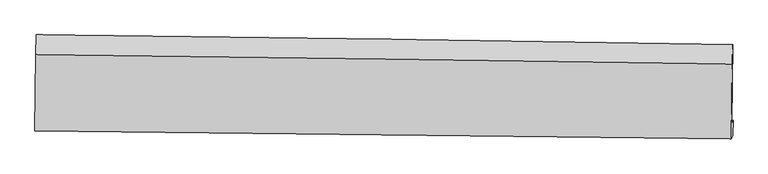
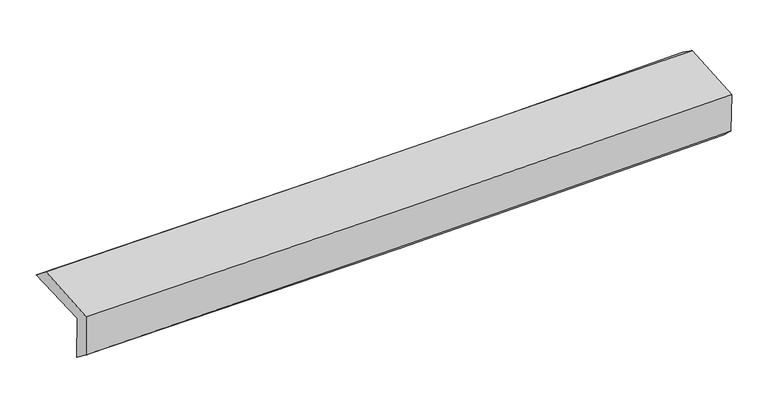
"""IFC4 building model written with IfcOpenShell, lengths in millimetres: proxy geometry."""

from ifc_helpers import new_model, si_unit, frame, origin, place, context, project, spatial, source, transform, mapped, element, save
from ifc_brep_helpers import plane_surface, spline_curve, spline_surface, advanced_brep


def generic_models_fb907434(model_context):
    return source(origin(), model_context, "Body", "AdvancedBrep", [
        advanced_brep(
        [(-3027.6112657, -1765.1499138, 1965.2863049), (-3020.2663445, -1085.419892, 1981.2640008), (3013.6647594, -1171.6038481, 2138.9500699), (3005.5099013, -1851.3241825, 2122.9531213), (-3017.7354163, -1744.4068453, 1560.2601913), (3015.4529765, -1830.439914, 1715.1699578), (-3022.493906, -1904.7415086, 1683.6266453), (3011.0228483, -1960.5823832, 1832.9469252), (-3031.9464003, -1920.9840248, 2073.0146382), (3001.5347844, -1991.0332792, 2216.5040557), (-3025.4683881, -1259.3678248, 2116.7658808), (3008.7024525, -1338.567313, 2259.6693505)],
        [
            (0, 1),
            (1, 2, spline_curve(3, [(-3020.2663445, -1085.419892, 1981.2640008), (-2014.030998618, -1096.238452109, 1982.573303024), (-1008.123216756, -1108.829060608, 1996.366548298), (1003.187249068, -1137.556517071, 2048.924846205), (2008.589835247, -1153.693894125, 2087.693623677), (3013.6647594, -1171.6038481, 2138.9500699)], [4, 2, 4], [0.0, 9.902065220467628, 19.805607808819623])),
            (2, 3),
            (3, 0, spline_curve(3, [(3005.5099013, -1851.3241825, 2122.9531213), (2000.589032694, -1833.416151132, 2071.700333116), (995.330973608, -1817.280542664, 2032.934988827), (-1015.709516034, -1788.556315175, 1980.383108597), (-2021.491845606, -1775.967167166, 1966.592847419), (-3027.6112657, -1765.1499138, 1965.2863049)], [4, 2, 4], [0.0, 9.903542588351995, 19.805607808819623])),
            (4, 0),
            (3, 5),
            (5, 4, spline_curve(3, [(3015.4529765, -1830.439914, 1715.1699578), (2010.379219342, -1812.853007493, 1670.187408067), (1005.039118561, -1796.889718014, 1634.786737532), (-1006.023758717, -1768.212512916, 1583.153007204), (-2011.746455513, -1755.498112798, 1566.917088808), (-3017.7354163, -1744.4068453, 1560.2601913)], [4, 2, 4], [0.0, 9.90267814472179, 19.803879050513196])),
            (6, 4),
            (5, 7),
            (7, 6, spline_curve(3, [(3011.0228483, -1960.5823832, 1832.9469252), (2005.47490168, -1955.182201864, 1802.867852249), (999.870356609, -1947.828212317, 1775.384224414), (-1011.301912006, -1929.21400438, 1725.611572098), (-2016.869618052, -1917.95436914, 1703.321773238), (-3022.493906, -1904.7415086, 1683.6266453)], [4, 2, 4], [0.0, 9.901980414796718, 19.8024836947474])),
            (8, 6),
            (7, 9),
            (9, 8, spline_curve(3, [(3001.5347844, -1991.0332792, 2216.5040557), (1996.089919765, -1978.384491772, 2185.882231796), (990.539876143, -1966.222261118, 2158.613226407), (-1020.620549822, -1942.872654609, 2110.784420707), (-2026.230901371, -1931.685133919, 2090.223620239), (-3031.9464003, -1920.9840248, 2073.0146382)], [4, 2, 4], [0.0, 9.901716572643428, 19.80195604979966])),
            (10, 8),
            (9, 11),
            (11, 10, spline_curve(3, [(3008.7024525, -1338.567313, 2259.6693505), (2003.126705365, -1324.324520686, 2229.149335841), (997.453745386, -1310.602713835, 2201.98006775), (-1013.936564117, -1284.203039607, 2154.346577195), (-2019.653884108, -1271.525017265, 2133.881355725), (-3025.4683881, -1259.3678248, 2116.7658808)], [4, 2, 4], [0.0, 9.902357135762504, 19.80323708048136])),
            (1, 10),
            (11, 2),
        ],
        [
            spline_surface(3, 3, [[(-3027.6112657, -1765.1499138, 1965.2863049), (-2021.491845755, -1775.967167298, 1966.592847427), (-1015.709516008, -1788.556315181, 1980.38310867), (995.330973582, -1817.280542657, 2032.934988754), (2000.589032844, -1833.416150992, 2071.700333006), (3005.5099013, -1851.3241825, 2122.9531213)], [(-3025.162958637, -1538.573239884, 1970.612203525), (-2019.004896672, -1549.390928905, 1971.919665965), (-1013.180749582, -1561.980563618, 1985.710921918), (997.949732049, -1590.705867448, 2038.264941175), (2003.255966959, -1606.842065323, 2077.031429913), (3008.228187333, -1624.750737694, 2128.285437511)], [(-3022.714651563, -1311.996565916, 1975.938102175), (-2016.517947577, -1322.814690459, 1977.246484528), (-1010.651983127, -1335.404812133, 1991.038735202), (1000.568490547, -1364.131192318, 2043.594893632), (2005.922901076, -1380.267979672, 2082.362526785), (3010.946473367, -1398.177292906, 2133.617753689)], [(-3020.2663445, -1085.419892, 1981.2640008), (-2014.030998494, -1096.238452066, 1982.573303066), (-1008.123216702, -1108.82906057, 1996.36654845), (1003.187249014, -1137.556517109, 2048.924846053), (2008.589835191, -1153.693894004, 2087.693623691), (3013.6647594, -1171.6038481, 2138.9500699)]], [4, 4], [4, 2, 4], [0.0, 2.230831536795157], [0.0, 9.902065220467628, 19.805607808819623]),
            spline_surface(3, 3, [[(-3017.7354163, -1744.4068453, 1560.2601913), (-2011.746455351, -1755.498112687, 1566.917088837), (-1006.023758606, -1768.212512858, 1583.153007216), (1005.03911845, -1796.889718073, 1634.786737521), (2010.379219309, -1812.853007428, 1670.187407925), (3015.4529765, -1830.439914, 1715.1699578)], [(-3021.02736609, -1751.321201464, 1695.26889585), (-2014.994918809, -1762.321130888, 1700.142341718), (-1009.252344382, -1774.993780307, 1715.563041035), (1001.803070186, -1803.686659609, 1767.502821267), (2007.115823826, -1819.707388601, 1804.025049596), (3012.138618106, -1837.401336818, 1851.097678944)], [(-3024.31931591, -1758.235557636, 1830.27760035), (-2018.243382296, -1769.144149097, 1833.367594547), (-1012.480930232, -1781.775047732, 1847.97307485), (998.567021846, -1810.483601121, 1900.218905008), (2003.852428326, -1826.561769819, 1937.862691335), (3008.824259694, -1844.362759682, 1987.025400156)], [(-3027.6112657, -1765.1499138, 1965.2863049), (-2021.491845755, -1775.967167298, 1966.592847427), (-1015.709516008, -1788.556315181, 1980.38310867), (995.330973582, -1817.280542657, 2032.934988754), (2000.589032844, -1833.416150992, 2071.700333006), (3005.5099013, -1851.3241825, 2122.9531213)]], [4, 4], [4, 2, 4], [0.0, 1.3068520344447008], [0.0, 9.901200905791406, 19.803879050513196]),
            spline_surface(3, 3, [[(-3022.493906, -1904.7415086, 1683.6266453), (-2016.869617923, -1917.954369261, 1703.321773209), (-1011.301911869, -1929.214004477, 1725.61157208), (999.870356473, -1947.82821222, 1775.384224432), (2005.474901806, -1955.182201874, 1802.867852163), (3011.0228483, -1960.5823832, 1832.9469252)], [(-3020.907742759, -1851.296620805, 1642.504493964), (-2015.161897058, -1863.802283708, 1657.853545083), (-1009.542527452, -1875.546840615, 1678.125383819), (1001.593277128, -1897.515380849, 1728.518395489), (2007.10967429, -1907.739137052, 1758.641037424), (3012.499557683, -1917.201560126, 1793.687936074)], [(-3019.321579541, -1797.851733095, 1601.382342636), (-2013.454176216, -1809.65019824, 1612.385316964), (-1007.783143023, -1821.87967672, 1630.639195476), (1003.316197795, -1847.202549444, 1681.652566464), (2008.744446824, -1860.29607225, 1714.414222663), (3013.976267117, -1873.820737074, 1754.428946926)], [(-3017.7354163, -1744.4068453, 1560.2601913), (-2011.746455351, -1755.498112687, 1566.917088837), (-1006.023758606, -1768.212512858, 1583.153007216), (1005.03911845, -1796.889718073, 1634.786737521), (2010.379219309, -1812.853007428, 1670.187407925), (3015.4529765, -1830.439914, 1715.1699578)]], [4, 4], [4, 2, 4], [0.0, 0.6911899798143029], [0.0, 9.900503279950684, 19.8024836947474]),
            spline_surface(3, 3, [[(-3031.9464003, -1920.9840248, 2073.0146382), (-2026.230901269, -1931.685133938, 2090.223620217), (-1020.620549977, -1942.872654717, 2110.784420774), (990.539876297, -1966.22226101, 2158.61322634), (1996.089919913, -1978.384491737, 2185.882231664), (3001.5347844, -1991.0332792, 2216.5040557)], [(-3028.795568882, -1915.569852743, 1943.21864054), (-2023.110473502, -1927.108212389, 1961.256337854), (-1017.51433727, -1938.319771312, 1982.393471209), (993.65003636, -1960.090911422, 2030.870225704), (1999.218247223, -1970.650395144, 2058.210771843), (3004.697472379, -1980.882980562, 2088.65167888)], [(-3025.644737418, -1910.155680657, 1813.42264296), (-2019.99004569, -1922.53129081, 1832.289055571), (-1014.408124576, -1933.766887882, 1854.002521645), (996.76019641, -1953.959561808, 1903.127225068), (2002.346574496, -1962.916298466, 1930.539311984), (3007.860160321, -1970.732681838, 1960.79930202)], [(-3022.493906, -1904.7415086, 1683.6266453), (-2016.869617923, -1917.954369261, 1703.321773209), (-1011.301911869, -1929.214004477, 1725.61157208), (999.870356473, -1947.82821222, 1775.384224432), (2005.474901806, -1955.182201874, 1802.867852163), (3011.0228483, -1960.5823832, 1832.9469252)]], [4, 4], [4, 2, 4], [0.0, 1.2619683261511059], [0.0, 9.900239477156232, 19.80195604979966]),
            spline_surface(3, 3, [[(-3025.4683881, -1259.3678248, 2116.7658808), (-2019.653884121, -1271.525017255, 2133.881355617), (-1013.936563967, -1284.203039728, 2154.34657734), (997.453745236, -1310.602713713, 2201.980067605), (2003.126705279, -1324.32452062, 2229.149335802), (3008.7024525, -1338.567313, 2259.6693505)], [(-3027.627725491, -1479.906558135, 2102.182133269), (-2021.846223162, -1491.578389484, 2119.328777153), (-1016.164559314, -1503.759578056, 2139.82585847), (995.149122246, -1529.14256281, 2187.524453835), (2000.78111016, -1542.344510964, 2214.726967744), (3006.313229803, -1556.055968371, 2245.280918888)], [(-3029.787062909, -1700.445291465, 2087.598385731), (-2024.038562229, -1711.631761709, 2104.776198681), (-1018.39255463, -1723.316116389, 2125.305139644), (992.844499287, -1747.682411913, 2173.06884011), (1998.435515031, -1760.364501393, 2200.304599721), (3003.924007097, -1773.544623829, 2230.892487312)], [(-3031.9464003, -1920.9840248, 2073.0146382), (-2026.230901269, -1931.685133938, 2090.223620217), (-1020.620549977, -1942.872654717, 2110.784420774), (990.539876297, -1966.22226101, 2158.61322634), (1996.089919913, -1978.384491737, 2185.882231664), (3001.5347844, -1991.0332792, 2216.5040557)]], [4, 4], [4, 2, 4], [0.0, 2.1608112898226777], [0.0, 9.900879944718856, 19.80323708048136]),
            spline_surface(3, 3, [[(-3020.2663445, -1085.419892, 1981.2640008), (-2014.030998494, -1096.238452066, 1982.573303066), (-1008.123216702, -1108.82906057, 1996.36654845), (1003.187249014, -1137.556517109, 2048.924846053), (2008.589835191, -1153.693894003, 2087.693623691), (3013.6647594, -1171.6038481, 2138.9500699)], [(-3022.000359041, -1143.402536269, 2026.431294151), (-2015.905293711, -1154.667307131, 2033.0093206), (-1010.060999129, -1167.287053623, 2049.026558078), (1001.276081083, -1195.238582645, 2099.943253235), (2006.768791883, -1210.57076957, 2134.845527731), (3012.010657095, -1227.258336428, 2179.189830102)], [(-3023.734373559, -1201.385180531, 2071.598587449), (-2017.779588905, -1213.09616219, 2083.445338083), (-1011.998781541, -1225.745046675, 2101.686567711), (999.364913167, -1252.920648178, 2150.961660423), (2004.947748588, -1267.447645054, 2181.997431762), (3010.356554805, -1282.912824672, 2219.429590298)], [(-3025.4683881, -1259.3678248, 2116.7658808), (-2019.653884121, -1271.525017255, 2133.881355617), (-1013.936563967, -1284.203039728, 2154.34657734), (997.453745236, -1310.602713713, 2201.980067605), (2003.126705279, -1324.32452062, 2229.149335802), (3008.7024525, -1338.567313, 2259.6693505)]], [4, 4], [4, 2, 4], [0.0, 0.7663977672039952], [0.0, 9.901999819723496, 19.805476997573702]),
            plane_surface(frame((3009.3146204, -1690.59182, 2047.6989134), z_axis=(0.9996395689292991, -0.012551562970557833, 0.023731634959297646), x_axis=(0.024651944218631375, 0.07911769908865292, -0.9965604203143725))),
            plane_surface(frame((-3024.2536202, -1613.3450016, 1896.7029435), z_axis=(-0.9996523502273701, 0.011361163096480883, -0.023792911927521455), x_axis=(-0.010802030571102387, -0.9996655222046176, -0.02349808185597866))),
        ],
        [
            (0, [[1, 2, 3, 4]]),
            (1, [[5, -4, 6, 7]]),
            (2, [[8, -7, 9, 10]]),
            (3, [[11, -10, 12, 13]]),
            (4, [[14, -13, 15, 16]]),
            (5, [[17, -16, 18, -2]]),
            (6, [[-12, -9, -6, -3, -18, -15]]),
            (7, [[-1, -5, -8, -11, -14, -17]]),
        ],
    ),
    ])


if __name__ == "__main__":
    model = new_model("IFC4")
    model_context = context("Model", 3, world=origin())
    ifc_project = project(units=[si_unit("LENGTHUNIT", "METRE", prefix="MILLI")], contexts=[model_context])
    site = spatial("IfcSite", under=ifc_project)
    building = spatial("IfcBuilding", under=site)
    placement = place(None, origin())
    generic_models_shape = generic_models_fb907434(model_context)
    element("IfcBuildingElementProxy", 1, Name="Generic Models", at=placement, inside=building, context=model_context, shape_type="MappedRepresentation", body=[
        mapped(generic_models_shape, transform((0.0, 0.0, 0.0), x_axis=(1.0, 0.0, 0.0), y_axis=(0.0, 1.0, 0.0), z_axis=(0.0, 0.0, 1.0))),
    ])
    save(model, "model.ifc")
